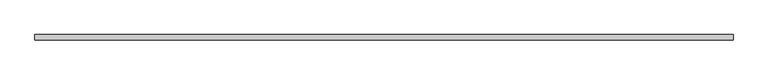
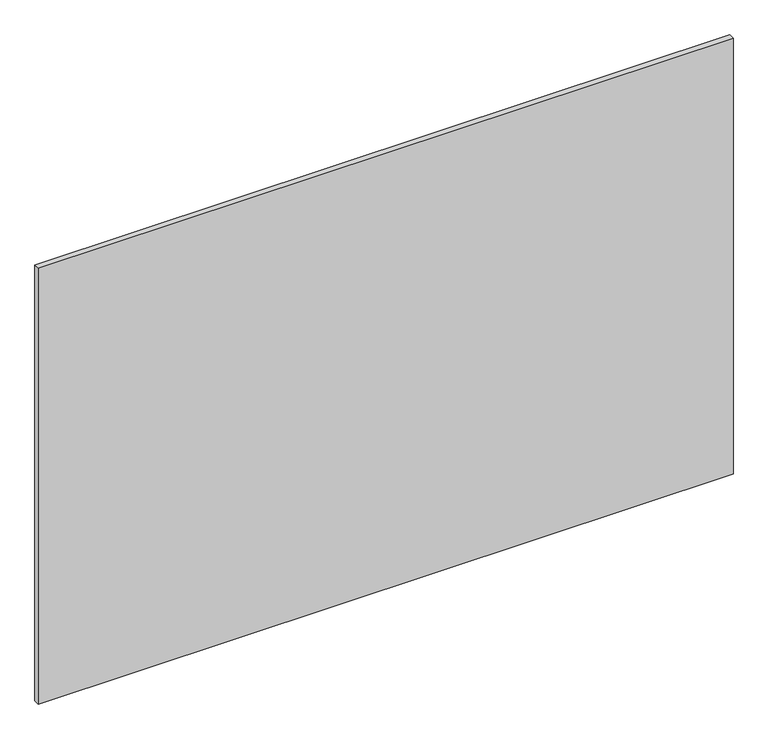
"""IFC4 building model written with IfcOpenShell, lengths in millimetres: plate geometry."""

from ifc_helpers import new_model, si_unit, origin, origin_with_axes, place, context, project, spatial, polyline, outline, extrude, source, transform, mapped, element, save


def plate_7ac681c8(model_context):
    return source(origin(), model_context, "Body", "SweptSolid", [
        extrude(outline(polyline([(627.75, 5.0), (627.75, -5.0), (-627.75, -5.0), (-627.75, 5.0), (627.75, 5.0)])), origin_with_axes(), (0.0, 0.0, 1.0), 833.3),
    ])


if __name__ == "__main__":
    model = new_model("IFC4")
    model_context = context("Model", 3, world=origin())
    ifc_project = project(units=[si_unit("LENGTHUNIT", "METRE", prefix="MILLI")], contexts=[model_context])
    site = spatial("IfcSite", under=ifc_project)
    building = spatial("IfcBuilding", under=site)
    placement = place(None, origin())
    plate_shape = plate_7ac681c8(model_context)
    element("IfcPlate", 1, at=placement, inside=building, context=model_context, shape_type="MappedRepresentation", body=[
        mapped(plate_shape, transform((0.0, 0.0, 0.0), x_axis=(1.0, 0.0, 0.0), y_axis=(0.0, 1.0, 0.0), z_axis=(0.0, 0.0, 1.0))),
    ])
    save(model, "model.ifc")
